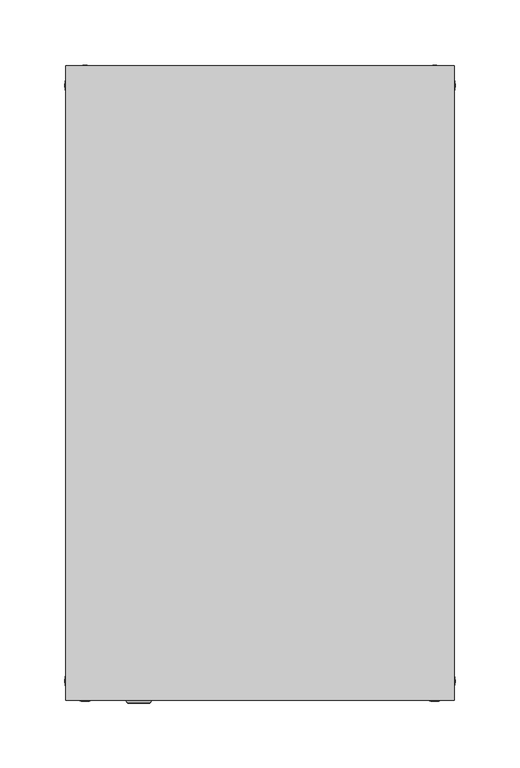
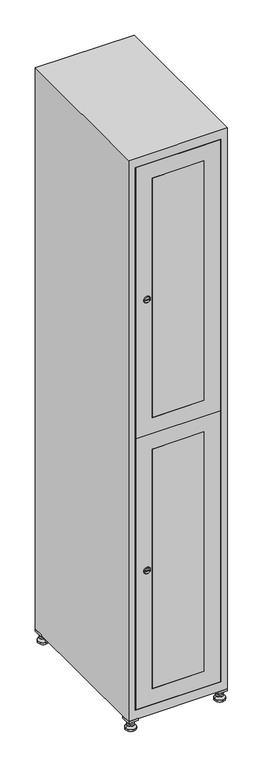
"""IFC4 building model written with IfcOpenShell, lengths in millimetres: furniture geometry."""

from ifc_helpers import new_model, si_unit, point, frame, frame_2d, origin, origin_with_axes, place, context, project, spatial, polyline, circle_curve, trimmed, segment, composite_curve, outline, extrude, faceted_brep, source, transform, mapped, element, save
from ifc_brep_helpers import plane_surface, revolved_surface, advanced_brep


def furniture_8da21aa5(model_context):
    return source(origin(), model_context, "Body", "SolidModel", [
        extrude(outline(polyline([(100.0, 245.0), (100.0, 215.0), (70.0, 215.0), (70.0, 245.0), (100.0, 245.0)]), holes=[polyline([(98.0, 243.0), (72.0, 243.0), (72.0, 217.0), (98.0, 217.0), (98.0, 243.0)])]), frame((0.0, 0.0, 28.5), z_axis=(0.0, 0.0, 1.0), x_axis=(1.0, 0.0, 0.0)), (0.0, 0.0, 1.0), 6.5),
        extrude(outline(polyline([(70.0, -245.0), (70.0, -215.0), (100.0, -215.0), (100.0, -245.0), (70.0, -245.0)]), holes=[polyline([(72.0, -243.0), (98.0, -243.0), (98.0, -217.0), (72.0, -217.0), (72.0, -243.0)])]), frame((0.0, 0.0, 28.5), z_axis=(0.0, 0.0, 1.0), x_axis=(1.0, 0.0, 0.0)), (0.0, 0.0, 1.0), 6.5),
        extrude(outline(polyline([(-170.0, 245.0), (-170.0, 215.0), (-200.0, 215.0), (-200.0, 245.0), (-170.0, 245.0)]), holes=[polyline([(-172.0, 243.0), (-198.0, 243.0), (-198.0, 217.0), (-172.0, 217.0), (-172.0, 243.0)])]), frame((0.0, 0.0, 28.5), z_axis=(0.0, 0.0, 1.0), x_axis=(1.0, 0.0, 0.0)), (0.0, 0.0, 1.0), 6.5),
        extrude(outline(polyline([(-170.0, -215.0), (-170.0, -245.0), (-200.0, -245.0), (-200.0, -215.0), (-170.0, -215.0)]), holes=[polyline([(-198.0, -243.0), (-172.0, -243.0), (-172.0, -217.0), (-198.0, -217.0), (-198.0, -243.0)])]), frame((0.0, 0.0, 28.5), z_axis=(0.0, 0.0, 1.0), x_axis=(1.0, 0.0, 0.0)), (0.0, 0.0, 1.0), 6.5),
        extrude(outline(composite_curve([segment(trimmed(circle_curve(frame_2d((-185.0, 230.0)), 5.0), [point((-180.0, 230.0))], [point((-190.0, 230.0))], False, "CARTESIAN"), True, "CONTINUOUS"), segment(trimmed(circle_curve(frame_2d((-185.0, 230.0)), 5.0), [point((-190.0, 230.0))], [point((-180.0, 230.0))], False, "CARTESIAN"), True, "CONTINUOUS")], self_intersect=False)), frame((0.0, 0.0, 19.6), z_axis=(0.0, 0.0, 1.0), x_axis=(1.0, 0.0, 0.0)), (0.0, 0.0, 1.0), 15.4),
        extrude(outline(composite_curve([segment(trimmed(circle_curve(frame_2d((-185.0, -230.0)), 5.0), [point((-180.0, -230.0))], [point((-190.0, -230.0))], False, "CARTESIAN"), True, "CONTINUOUS"), segment(trimmed(circle_curve(frame_2d((-185.0, -230.0)), 5.0), [point((-190.0, -230.0))], [point((-180.0, -230.0))], False, "CARTESIAN"), True, "CONTINUOUS")], self_intersect=False)), frame((0.0, 0.0, 19.6), z_axis=(0.0, 0.0, 1.0), x_axis=(1.0, 0.0, 0.0)), (0.0, 0.0, 1.0), 15.4),
        extrude(outline(composite_curve([segment(trimmed(circle_curve(frame_2d((85.0, 230.0)), 5.0), [point((90.0, 230.0))], [point((80.0, 230.0))], False, "CARTESIAN"), True, "CONTINUOUS"), segment(trimmed(circle_curve(frame_2d((85.0, 230.0)), 5.0), [point((80.0, 230.0))], [point((90.0, 230.0))], False, "CARTESIAN"), True, "CONTINUOUS")], self_intersect=False)), frame((0.0, 0.0, 19.6), z_axis=(0.0, 0.0, 1.0), x_axis=(1.0, 0.0, 0.0)), (0.0, 0.0, 1.0), 15.4),
        extrude(outline(polyline([(73.4529946, 230.0), (79.2264973, 240.0), (90.7735027, 240.0), (96.5470054, 230.0), (90.7735027, 220.0), (79.2264973, 220.0), (73.4529946, 230.0)])), frame((0.0, 0.0, 13.6), z_axis=(0.0, 0.0, 1.0), x_axis=(1.0, 0.0, 0.0)), (0.0, 0.0, 1.0), 6.0),
        extrude(outline(composite_curve([segment(trimmed(circle_curve(frame_2d((85.0, -230.0)), 5.0), [point((90.0, -230.0))], [point((80.0, -230.0))], False, "CARTESIAN"), True, "CONTINUOUS"), segment(trimmed(circle_curve(frame_2d((85.0, -230.0)), 5.0), [point((80.0, -230.0))], [point((90.0, -230.0))], False, "CARTESIAN"), True, "CONTINUOUS")], self_intersect=False)), frame((0.0, 0.0, 19.6), z_axis=(0.0, 0.0, 1.0), x_axis=(1.0, 0.0, 0.0)), (0.0, 0.0, 1.0), 15.4),
        extrude(outline(polyline([(73.4529946, -230.0), (79.2264973, -220.0), (90.7735027, -220.0), (96.5470054, -230.0), (90.7735027, -240.0), (79.2264973, -240.0), (73.4529946, -230.0)])), frame((0.0, 0.0, 13.6), z_axis=(0.0, 0.0, 1.0), x_axis=(1.0, 0.0, 0.0)), (0.0, 0.0, 1.0), 6.0),
        extrude(outline(composite_curve([segment(trimmed(circle_curve(frame_2d((85.0, 230.0)), 5.0), [point((90.0, 230.0))], [point((80.0, 230.0))], False, "CARTESIAN"), True, "CONTINUOUS"), segment(trimmed(circle_curve(frame_2d((85.0, 230.0)), 5.0), [point((80.0, 230.0))], [point((90.0, 230.0))], False, "CARTESIAN"), True, "CONTINUOUS")], self_intersect=False)), frame((0.0, 0.0, 12.1), z_axis=(0.0, 0.0, 1.0), x_axis=(1.0, 0.0, 0.0)), (0.0, 0.0, 1.0), 1.5),
        extrude(outline(composite_curve([segment(trimmed(circle_curve(frame_2d((85.0, -230.0)), 5.0), [point((90.0, -230.0))], [point((80.0, -230.0))], False, "CARTESIAN"), True, "CONTINUOUS"), segment(trimmed(circle_curve(frame_2d((85.0, -230.0)), 5.0), [point((80.0, -230.0))], [point((90.0, -230.0))], False, "CARTESIAN"), True, "CONTINUOUS")], self_intersect=False)), frame((0.0, 0.0, 12.1), z_axis=(0.0, 0.0, 1.0), x_axis=(1.0, 0.0, 0.0)), (0.0, 0.0, 1.0), 1.5),
        extrude(outline(polyline([(-196.5470054, 230.0), (-190.7735027, 240.0), (-179.2264973, 240.0), (-173.4529946, 230.0), (-179.2264973, 220.0), (-190.7735027, 220.0), (-196.5470054, 230.0)])), frame((0.0, 0.0, 13.6), z_axis=(0.0, 0.0, 1.0), x_axis=(1.0, 0.0, 0.0)), (0.0, 0.0, 1.0), 6.0),
        extrude(outline(polyline([(-196.5470054, -230.0), (-190.7735027, -220.0), (-179.2264973, -220.0), (-173.4529946, -230.0), (-179.2264973, -240.0), (-190.7735027, -240.0), (-196.5470054, -230.0)])), frame((0.0, 0.0, 13.6), z_axis=(0.0, 0.0, 1.0), x_axis=(1.0, 0.0, 0.0)), (0.0, 0.0, 1.0), 6.0),
        extrude(outline(composite_curve([segment(trimmed(circle_curve(frame_2d((-185.0, 230.0)), 5.0), [point((-185.0, 235.0))], [point((-185.0, 225.0))], False, "CARTESIAN"), True, "CONTINUOUS"), segment(trimmed(circle_curve(frame_2d((-185.0, 230.0)), 5.0), [point((-185.0, 225.0))], [point((-185.0, 235.0))], False, "CARTESIAN"), True, "CONTINUOUS")], self_intersect=False)), frame((0.0, 0.0, 12.1), z_axis=(0.0, 0.0, 1.0), x_axis=(1.0, 0.0, 0.0)), (0.0, 0.0, 1.0), 1.5),
        extrude(outline(composite_curve([segment(trimmed(circle_curve(frame_2d((-185.0, -230.0)), 5.0), [point((-180.0, -230.0))], [point((-190.0, -230.0))], False, "CARTESIAN"), True, "CONTINUOUS"), segment(trimmed(circle_curve(frame_2d((-185.0, -230.0)), 5.0), [point((-190.0, -230.0))], [point((-180.0, -230.0))], False, "CARTESIAN"), True, "CONTINUOUS")], self_intersect=False)), frame((0.0, 0.0, 12.1), z_axis=(0.0, 0.0, 1.0), x_axis=(1.0, 0.0, 0.0)), (0.0, 0.0, 1.0), 1.5),
        extrude(outline(composite_curve([segment(trimmed(circle_curve(frame_2d((85.0, 230.0)), 15.75), [point((100.75, 230.0))], [point((69.25, 230.0))], False, "CARTESIAN"), True, "CONTINUOUS"), segment(trimmed(circle_curve(frame_2d((85.0, 230.0)), 15.75), [point((69.25, 230.0))], [point((100.75, 230.0))], False, "CARTESIAN"), True, "CONTINUOUS")], self_intersect=False)), origin_with_axes(), (0.0, 0.0, 1.0), 5.1),
        extrude(outline(composite_curve([segment(trimmed(circle_curve(frame_2d((85.0, -230.0)), 15.75), [point((85.0, -214.25))], [point((85.0, -245.75))], False, "CARTESIAN"), True, "CONTINUOUS"), segment(trimmed(circle_curve(frame_2d((85.0, -230.0)), 15.75), [point((85.0, -245.75))], [point((85.0, -214.25))], False, "CARTESIAN"), True, "CONTINUOUS")], self_intersect=False)), origin_with_axes(), (0.0, 0.0, 1.0), 5.1),
        extrude(outline(composite_curve([segment(trimmed(circle_curve(frame_2d((-185.0, -230.0)), 15.75), [point((-169.25, -230.0))], [point((-200.75, -230.0))], False, "CARTESIAN"), True, "CONTINUOUS"), segment(trimmed(circle_curve(frame_2d((-185.0, -230.0)), 15.75), [point((-200.75, -230.0))], [point((-169.25, -230.0))], False, "CARTESIAN"), True, "CONTINUOUS")], self_intersect=False)), origin_with_axes(), (0.0, 0.0, 1.0), 5.1),
        extrude(outline(composite_curve([segment(trimmed(circle_curve(frame_2d((-185.0, 230.0)), 15.75), [point((-169.25, 230.0))], [point((-200.75, 230.0))], False, "CARTESIAN"), True, "CONTINUOUS"), segment(trimmed(circle_curve(frame_2d((-185.0, 230.0)), 15.75), [point((-200.75, 230.0))], [point((-169.25, 230.0))], False, "CARTESIAN"), True, "CONTINUOUS")], self_intersect=False)), origin_with_axes(), (0.0, 0.0, 1.0), 5.1),
        advanced_brep(
        [(-185.0, 245.75, 5.1), (-185.0, 214.25, 5.1), (-185.0, 239.5, 12.1), (-185.0, 220.5, 12.1)],
        [
            (0, 1, circle_curve(frame((-185.0, 230.0, 5.1), z_axis=(0.0, 0.0, -1.0), x_axis=(0.0, 1.0, 0.0)), 15.75)),
            (1, 0, circle_curve(frame((-185.0, 230.0, 5.1), z_axis=(0.0, 0.0, -1.0), x_axis=(0.0, -1.0, 0.0)), 15.75)),
            (2, 3, circle_curve(frame((-185.0, 230.0, 12.1), z_axis=(0.0, 0.0, 1.0), x_axis=(0.0, -1.0, 0.0)), 9.5)),
            (3, 2, circle_curve(frame((-185.0, 230.0, 12.1), z_axis=(0.0, 0.0, 1.0), x_axis=(0.0, 1.0, 0.0)), 9.5)),
            (3, 1),
            (0, 2),
        ],
        [
            plane_surface(frame((-185.0, 230.0, 5.1), z_axis=(0.0, 0.0, -1.0), x_axis=(1.0, 0.0, 0.0))),
            plane_surface(frame((-185.0, 230.0, 12.1), z_axis=(0.0, 0.0, 1.0), x_axis=(1.0, 0.0, 0.0))),
            revolved_surface(polyline([(-185.0, 220.5, 12.099999999999998), (-185.0, 214.25, 5.099999999999998)]), (-185.0, 230.0, 22.74), (0.0, 0.0, -1.0)),
            revolved_surface(polyline([(-185.0, 239.5, 12.099999999999998), (-185.0, 245.75, 5.099999999999998)]), (-185.0, 230.0, 22.74), (0.0, 0.0, -1.0)),
        ],
        [
            (0, [[1, 2]]),
            (1, [[3, 4]]),
            (2, [[-4, 5, -1, 6]]),
            (3, [[-3, -6, -2, -5]]),
        ],
    ),
        advanced_brep(
        [(85.0, 245.75, 5.1), (85.0, 214.25, 5.1), (85.0, 239.5, 12.1), (85.0, 220.5, 12.1)],
        [
            (0, 1, circle_curve(frame((85.0, 230.0, 5.1), z_axis=(0.0, 0.0, -1.0), x_axis=(0.0, 1.0, 0.0)), 15.75)),
            (1, 0, circle_curve(frame((85.0, 230.0, 5.1), z_axis=(0.0, 0.0, -1.0), x_axis=(0.0, -1.0, 0.0)), 15.75)),
            (2, 3, circle_curve(frame((85.0, 230.0, 12.1), z_axis=(0.0, 0.0, 1.0), x_axis=(0.0, -1.0, 0.0)), 9.5)),
            (3, 2, circle_curve(frame((85.0, 230.0, 12.1), z_axis=(0.0, 0.0, 1.0), x_axis=(0.0, 1.0, 0.0)), 9.5)),
            (3, 1),
            (0, 2),
        ],
        [
            plane_surface(frame((85.0, 230.0, 5.1), z_axis=(0.0, 0.0, -1.0), x_axis=(1.0, 0.0, 0.0))),
            plane_surface(frame((85.0, 230.0, 12.1), z_axis=(0.0, 0.0, 1.0), x_axis=(1.0, 0.0, 0.0))),
            revolved_surface(polyline([(85.0, 220.5, 12.099999999999998), (85.0, 214.25, 5.099999999999998)]), (85.0, 230.0, 22.74), (0.0, 0.0, -1.0)),
            revolved_surface(polyline([(85.0, 239.5, 12.099999999999998), (85.0, 245.75, 5.099999999999998)]), (85.0, 230.0, 22.74), (0.0, 0.0, -1.0)),
        ],
        [
            (0, [[1, 2]]),
            (1, [[3, 4]]),
            (2, [[-4, 5, -1, 6]]),
            (3, [[-3, -6, -2, -5]]),
        ],
    ),
        advanced_brep(
        [(94.5, -230.0, 12.1), (75.5, -230.0, 12.1), (100.75, -230.0, 5.1), (69.25, -230.0, 5.1)],
        [
            (0, 1, circle_curve(frame((85.0, -230.0, 12.1), z_axis=(0.0, 0.0, 1.0), x_axis=(1.0, 0.0, 0.0)), 9.5)),
            (1, 0, circle_curve(frame((85.0, -230.0, 12.1), z_axis=(0.0, 0.0, 1.0), x_axis=(-1.0, 0.0, 0.0)), 9.5)),
            (2, 3, circle_curve(frame((85.0, -230.0, 5.1), z_axis=(0.0, 0.0, -1.0), x_axis=(-1.0, 0.0, 0.0)), 15.75)),
            (3, 2, circle_curve(frame((85.0, -230.0, 5.1), z_axis=(0.0, 0.0, -1.0), x_axis=(1.0, 0.0, 0.0)), 15.75)),
            (3, 1),
            (0, 2),
        ],
        [
            plane_surface(frame((85.0, -230.0, 12.1), z_axis=(0.0, 0.0, 1.0), x_axis=(0.0, 1.0, 0.0))),
            plane_surface(frame((85.0, -230.0, 5.1), z_axis=(0.0, 0.0, -1.0), x_axis=(0.0, 1.0, 0.0))),
            revolved_surface(polyline([(94.5, -230.0, 12.099999999999998), (100.75, -230.0, 5.099999999999998)]), (85.0, -230.0, 22.74), (0.0, 0.0, -1.0)),
            revolved_surface(polyline([(75.5, -230.0, 12.099999999999998), (69.25, -230.0, 5.099999999999998)]), (85.0, -230.0, 22.74), (0.0, 0.0, -1.0)),
        ],
        [
            (0, [[1, 2]]),
            (1, [[3, 4]]),
            (2, [[-4, 5, -1, 6]]),
            (3, [[-3, -6, -2, -5]]),
        ],
    ),
        advanced_brep(
        [(-175.5, -230.0, 12.1), (-194.5, -230.0, 12.1), (-169.25, -230.0, 5.1), (-200.75, -230.0, 5.1)],
        [
            (0, 1, circle_curve(frame((-185.0, -230.0, 12.1), z_axis=(0.0, 0.0, 1.0), x_axis=(1.0, 0.0, 0.0)), 9.5)),
            (1, 0, circle_curve(frame((-185.0, -230.0, 12.1), z_axis=(0.0, 0.0, 1.0), x_axis=(-1.0, 0.0, 0.0)), 9.5)),
            (2, 3, circle_curve(frame((-185.0, -230.0, 5.1), z_axis=(0.0, 0.0, -1.0), x_axis=(-1.0, 0.0, 0.0)), 15.75)),
            (3, 2, circle_curve(frame((-185.0, -230.0, 5.1), z_axis=(0.0, 0.0, -1.0), x_axis=(1.0, 0.0, 0.0)), 15.75)),
            (3, 1),
            (0, 2),
        ],
        [
            plane_surface(frame((-185.0, -230.0, 12.1), z_axis=(0.0, 0.0, 1.0), x_axis=(0.0, 1.0, 0.0))),
            plane_surface(frame((-185.0, -230.0, 5.1), z_axis=(0.0, 0.0, -1.0), x_axis=(0.0, 1.0, 0.0))),
            revolved_surface(polyline([(-175.5, -230.0, 12.099999999999998), (-169.25, -230.0, 5.099999999999998)]), (-185.0, -230.0, 22.74), (0.0, 0.0, -1.0)),
            revolved_surface(polyline([(-194.5, -230.0, 12.099999999999998), (-200.75, -230.0, 5.099999999999998)]), (-185.0, -230.0, 22.74), (0.0, 0.0, -1.0)),
        ],
        [
            (0, [[1, 2]]),
            (1, [[3, 4]]),
            (2, [[-4, 5, -1, 6]]),
            (3, [[-3, -6, -2, -5]]),
        ],
    ),
        extrude(outline(composite_curve([segment(trimmed(circle_curve(frame_2d((1369.4, -170.3989466)), 7.0), [point((1376.4, -170.3989466))], [point((1362.4, -170.3989466))], False, "CARTESIAN"), True, "CONTINUOUS"), segment(polyline([(1362.4, -170.3989466), (1362.4, -142.3989466)]), True, "CONTINUOUS"), segment(trimmed(circle_curve(frame_2d((1369.4, -142.3989466)), 7.0), [point((1362.4, -142.3989466))], [point((1376.4, -142.3989466))], False, "CARTESIAN"), True, "CONTINUOUS"), segment(polyline([(1376.4, -142.3989466), (1376.4, -170.3989466)]), True, "CONTINUOUS")], self_intersect=False)), frame((0.0, -227.0, 0.0), z_axis=(0.0, 1.0, 0.0), x_axis=(0.0, 0.0, 1.0)), (0.0, 0.0, 1.0), 2.0),
        advanced_brep(
        [(-135.1, -247.2, 1369.4), (-152.1, -247.2, 1369.4), (-148.6, -247.2, 1368.15), (-148.6, -247.2, 1370.65), (-138.6, -247.2, 1370.65), (-138.6, -247.2, 1368.15), (-133.1, -245.0, 1369.4), (-154.1, -245.0, 1369.4), (-148.6, -245.0, 1370.65), (-148.6, -245.0, 1368.15), (-138.6, -245.0, 1368.15), (-138.6, -245.0, 1370.65)],
        [
            (0, 1, circle_curve(frame((-143.6, -247.2, 1369.4), z_axis=(0.0, -1.0, 0.0), x_axis=(1.0, 0.0, 0.0)), 8.5)),
            (1, 0, circle_curve(frame((-143.6, -247.2, 1369.4), z_axis=(0.0, -1.0, 0.0), x_axis=(-1.0, 0.0, 0.0)), 8.5)),
            (2, 3),
            (3, 4),
            (4, 5),
            (5, 2),
            (6, 7, circle_curve(frame((-143.6, -245.0, 1369.4), z_axis=(0.0, 1.0, 0.0), x_axis=(-1.0, 0.0, 0.0)), 10.5)),
            (7, 6, circle_curve(frame((-143.6, -245.0, 1369.4), z_axis=(0.0, 1.0, 0.0), x_axis=(1.0, 0.0, 0.0)), 10.5)),
            (8, 9),
            (9, 10),
            (10, 11),
            (11, 8),
            (0, 6),
            (7, 1),
            (8, 3),
            (2, 9),
            (11, 4),
            (10, 5),
        ],
        [
            plane_surface(frame((-143.6, -247.2, 1369.4), z_axis=(0.0, -1.0, 0.0), x_axis=(0.0, 0.0, 1.0))),
            plane_surface(frame((-143.6, -245.0, 1369.4), z_axis=(0.0, 1.0, 0.0), x_axis=(0.0, 0.0, 1.0))),
            revolved_surface(polyline([(-135.1, -247.2, 1369.4), (-133.1, -245.0, 1369.4)]), (-143.6, -256.55, 1369.4), (0.0, 1.0, 0.0)),
            revolved_surface(polyline([(-152.1, -247.2, 1369.4), (-154.1, -245.0, 1369.4)]), (-143.6, -256.55, 1369.4), (0.0, 1.0, 0.0)),
            plane_surface(frame((-148.6, -245.0, 1368.15), z_axis=(1.0, 0.0, 0.0), x_axis=(0.0, -1.0, 0.0))),
            plane_surface(frame((-148.6, -245.0, 1370.65), z_axis=(0.0, 0.0, -1.0), x_axis=(0.0, -1.0, 0.0))),
            plane_surface(frame((-138.6, -245.0, 1370.65), z_axis=(-1.0, 0.0, 0.0), x_axis=(0.0, -1.0, 0.0))),
            plane_surface(frame((-138.6, -245.0, 1368.15), z_axis=(0.0, 0.0, 1.0), x_axis=(0.0, -1.0, 0.0))),
        ],
        [
            (0, [[1, 2], [3, 4, 5, 6]]),
            (1, [[7, 8], [9, 10, 11, 12]]),
            (2, [[-1, 13, -8, 14]]),
            (3, [[-2, -14, -7, -13]]),
            (4, [[15, -3, 16, -9]]),
            (5, [[-15, -12, 17, -4]]),
            (6, [[-17, -11, 18, -5]]),
            (7, [[-16, -6, -18, -10]]),
        ],
    ),
        extrude(outline(composite_curve([segment(trimmed(circle_curve(frame_2d((500.6, -170.3989466)), 7.0), [point((507.6, -170.3989466))], [point((493.6, -170.3989466))], False, "CARTESIAN"), True, "CONTINUOUS"), segment(polyline([(493.6, -170.3989466), (493.6, -142.3989466)]), True, "CONTINUOUS"), segment(trimmed(circle_curve(frame_2d((500.6, -142.3989466)), 7.0), [point((493.6, -142.3989466))], [point((507.6, -142.3989466))], False, "CARTESIAN"), True, "CONTINUOUS"), segment(polyline([(507.6, -142.3989466), (507.6, -170.3989466)]), True, "CONTINUOUS")], self_intersect=False)), frame((0.0, -227.0, 0.0), z_axis=(0.0, 1.0, 0.0), x_axis=(0.0, 0.0, 1.0)), (0.0, 0.0, 1.0), 2.0),
        advanced_brep(
        [(-135.1, -247.2, 500.6), (-152.1, -247.2, 500.6), (-148.6, -247.2, 499.35), (-148.6, -247.2, 501.85), (-138.6, -247.2, 501.85), (-138.6, -247.2, 499.35), (-133.1, -245.0, 500.6), (-154.1, -245.0, 500.6), (-148.6, -245.0, 501.85), (-148.6, -245.0, 499.35), (-138.6, -245.0, 499.35), (-138.6, -245.0, 501.85)],
        [
            (0, 1, circle_curve(frame((-143.6, -247.2, 500.6), z_axis=(0.0, -1.0, 0.0), x_axis=(1.0, 0.0, 0.0)), 8.5)),
            (1, 0, circle_curve(frame((-143.6, -247.2, 500.6), z_axis=(0.0, -1.0, 0.0), x_axis=(-1.0, 0.0, 0.0)), 8.5)),
            (2, 3),
            (3, 4),
            (4, 5),
            (5, 2),
            (6, 7, circle_curve(frame((-143.6, -245.0, 500.6), z_axis=(0.0, 1.0, 0.0), x_axis=(-1.0, 0.0, 0.0)), 10.5)),
            (7, 6, circle_curve(frame((-143.6, -245.0, 500.6), z_axis=(0.0, 1.0, 0.0), x_axis=(1.0, 0.0, 0.0)), 10.5)),
            (8, 9),
            (9, 10),
            (10, 11),
            (11, 8),
            (0, 6),
            (7, 1),
            (8, 3),
            (2, 9),
            (11, 4),
            (10, 5),
        ],
        [
            plane_surface(frame((-143.6, -247.2, 500.6), z_axis=(0.0, -1.0, 0.0), x_axis=(0.0, 0.0, 1.0))),
            plane_surface(frame((-143.6, -245.0, 500.6), z_axis=(0.0, 1.0, 0.0), x_axis=(0.0, 0.0, 1.0))),
            revolved_surface(polyline([(-135.1, -247.2, 500.6), (-133.1, -245.0, 500.6)]), (-143.6, -256.55, 500.6), (0.0, 1.0, 0.0)),
            revolved_surface(polyline([(-152.1, -247.2, 500.6), (-154.1, -245.0, 500.6)]), (-143.6, -256.55, 500.6), (0.0, 1.0, 0.0)),
            plane_surface(frame((-148.6, -245.0, 499.35), z_axis=(1.0, 0.0, 0.0), x_axis=(0.0, -1.0, 0.0))),
            plane_surface(frame((-148.6, -245.0, 501.85), z_axis=(0.0, 0.0, -1.0), x_axis=(0.0, -1.0, 0.0))),
            plane_surface(frame((-138.6, -245.0, 501.85), z_axis=(-1.0, 0.0, 0.0), x_axis=(0.0, -1.0, 0.0))),
            plane_surface(frame((-138.6, -245.0, 499.35), z_axis=(0.0, 0.0, 1.0), x_axis=(0.0, -1.0, 0.0))),
        ],
        [
            (0, [[1, 2], [3, 4, 5, 6]]),
            (1, [[7, 8], [9, 10, 11, 12]]),
            (2, [[-1, 13, -8, 14]]),
            (3, [[-2, -14, -7, -13]]),
            (4, [[15, -3, 16, -9]]),
            (5, [[-15, -12, 17, -4]]),
            (6, [[-17, -11, 18, -5]]),
            (7, [[-16, -6, -18, -10]]),
        ],
    ),
        extrude(outline(polyline([(935.5, 78.6), (1803.8, 78.6), (1803.8, -178.6), (935.5, -178.6), (935.5, 78.6)]), holes=[polyline([(1753.8, -128.6), (1753.8, 28.6), (985.5, 28.6), (985.5, -128.6), (1753.8, -128.6)])]), frame((0.0, -245.0, 0.0), z_axis=(0.0, 1.0, 0.0), x_axis=(0.0, 0.0, 1.0)), (0.0, 0.0, 1.0), 18.0),
        extrude(outline(polyline([(934.5, -178.6), (66.2, -178.6), (66.2, 78.6), (934.5, 78.6), (934.5, -178.6)]), holes=[polyline([(116.2, -128.6), (884.5, -128.6), (884.5, 28.6), (116.2, 28.6), (116.2, -128.6)])]), frame((0.0, -245.0, 0.0), z_axis=(0.0, 1.0, 0.0), x_axis=(0.0, 0.0, 1.0)), (0.0, 0.0, 1.0), 18.0),
        extrude(outline(polyline([(28.6, -245.0), (-128.6, -245.0), (-128.6, -227.0), (28.6, -227.0), (28.6, -245.0)])), frame((0.0, 0.0, 985.5), z_axis=(0.0, 0.0, 1.0), x_axis=(1.0, 0.0, 0.0)), (0.0, 0.0, 1.0), 768.3),
        extrude(outline(polyline([(28.6, -245.0), (-128.6, -245.0), (-128.6, -227.0), (28.6, -227.0), (28.6, -245.0)])), frame((0.0, 0.0, 116.2), z_axis=(0.0, 0.0, 1.0), x_axis=(1.0, 0.0, 0.0)), (0.0, 0.0, 1.0), 768.3),
        extrude(outline(polyline([(79.6, 242.0), (79.6, -227.0), (-179.6, -227.0), (-179.6, 242.0), (79.6, 242.0)])), frame((0.0, 0.0, 924.8), z_axis=(0.0, 0.0, 1.0), x_axis=(1.0, 0.0, 0.0)), (0.0, 0.0, 1.0), 20.4),
        faceted_brep([(100.0, -245.0, 35.0), (100.0, -245.0, 1835.0), (-200.0, -245.0, 1835.0), (-200.0, -245.0, 35.0), (79.6, -245.0, 1804.8), (79.6, -245.0, 65.2), (-179.6, -245.0, 65.2), (-179.6, -245.0, 1804.8), (100.0, 245.0, 35.0), (-200.0, 245.0, 35.0), (100.0, 245.0, 1835.0), (-200.0, 245.0, 1835.0), (79.6, 242.0, 1804.8), (79.6, 242.0, 65.2), (-200.0, 245.0, 1804.8), (-179.6, 242.0, 1804.8), (-179.6, 242.0, 65.2)], [[[0, 1, 2, 3], [4, 5, 6, 7]], [[8, 0, 3, 9]], [[1, 0, 8, 10]], [[1, 10, 11, 2]], [[4, 12, 13, 5]], [[9, 3, 2, 11, 14]], [[10, 8, 9, 14, 11]], [[12, 15, 16, 13]], [[15, 7, 6, 16]], [[4, 7, 15, 12]], [[6, 5, 13, 16]]]),
    ])


if __name__ == "__main__":
    model = new_model("IFC4")
    model_context = context("Model", 3, world=origin())
    ifc_project = project(units=[si_unit("LENGTHUNIT", "METRE", prefix="MILLI")], contexts=[model_context])
    site = spatial("IfcSite", under=ifc_project)
    building = spatial("IfcBuilding", under=site)
    placement = place(None, origin())
    furniture_shape = furniture_8da21aa5(model_context)
    element("IfcFurniture", 1, at=placement, inside=building, context=model_context, shape_type="MappedRepresentation", body=[
        mapped(furniture_shape, transform((0.0, 0.0, 0.0), x_axis=(1.0, 0.0, 0.0), y_axis=(0.0, 1.0, 0.0), z_axis=(0.0, 0.0, 1.0))),
    ])
    save(model, "model.ifc")
